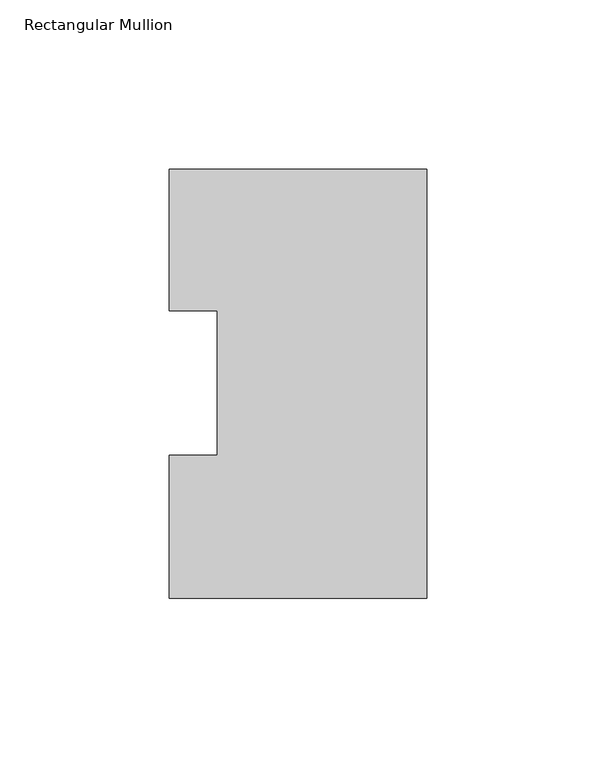
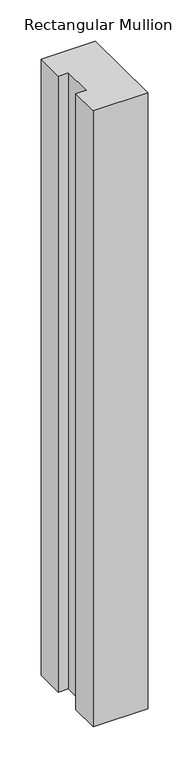
"""IFC4 building model written with IfcOpenShell, lengths in millimetres: member geometry, Rectangular Mullion."""

from ifc_helpers import new_model, si_unit, frame, origin, place, context, project, spatial, polyline, outline, extrude, source, transform, mapped, element, save


def rectangular_mullion_cfcd816f(model_context):
    return source(origin(), model_context, "Body", "SweptSolid", [
        extrude(outline(polyline([(0.0, 126.9888875), (0.0, -0.0111125), (-76.2, -0.0111125), (-76.2, 42.2798875), (-61.9125, 42.2798875), (-61.9125, 85.1296875), (-76.2, 85.1296875), (-76.2, 126.9888875), (0.0, 126.9888875)])), frame((0.0, 0.0, -914.4), z_axis=(0.0, 0.0, 1.0), x_axis=(1.0, 0.0, 0.0)), (0.0, 0.0, 1.0), 914.4),
    ])


if __name__ == "__main__":
    model = new_model("IFC4")
    model_context = context("Model", 3, world=origin())
    ifc_project = project(units=[si_unit("LENGTHUNIT", "METRE", prefix="MILLI")], contexts=[model_context])
    site = spatial("IfcSite", under=ifc_project)
    building = spatial("IfcBuilding", under=site)
    placement = place(None, origin())
    rectangular_mullion_shape = rectangular_mullion_cfcd816f(model_context)
    element("IfcMember", 1, ObjectType="Rectangular Mullion", at=placement, inside=building, context=model_context, shape_type="MappedRepresentation", body=[
        mapped(rectangular_mullion_shape, transform((0.0, 0.0, 0.0), x_axis=(1.0, 0.0, 0.0), y_axis=(0.0, 1.0, 0.0), z_axis=(0.0, 0.0, 1.0))),
    ])
    save(model, "model.ifc")
